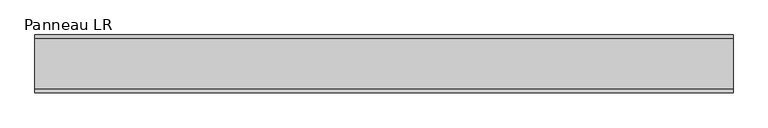
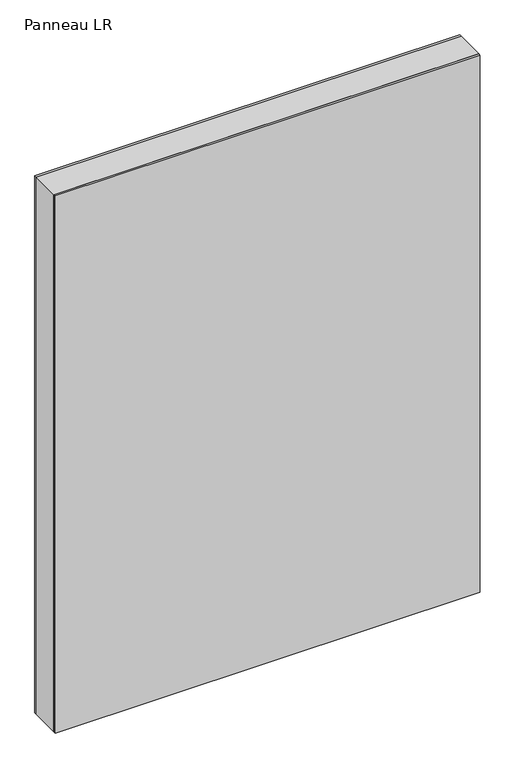
"""IFC4 building model written with IfcOpenShell, lengths in millimetres: plate geometry, Panneau LR."""

from ifc_helpers import new_model, si_unit, frame, origin, origin_with_axes, place, context, project, spatial, polyline, outline, extrude, source, transform, mapped, element, save


def panneau_lr_96a04000(model_context):
    return source(origin(), model_context, "Body", "SweptSolid", [
        extrude(outline(polyline([(1453.5, 544.1875001), (1453.5, -544.1875001), (0.0, -544.1875001), (0.0, 544.1875001), (1453.5, 544.1875001)]), holes=[polyline([(30.0, -504.1875001), (1393.5, -504.1875001), (1393.5, 504.1875001), (30.0, 504.1875001), (30.0, -504.1875001)])]), frame((0.0, -39.0, 0.0), z_axis=(0.0, 1.0, 0.0), x_axis=(0.0, 0.0, 1.0)), (0.0, 0.0, 1.0), 78.0),
        extrude(outline(polyline([(544.1875001, 39.0), (-544.1875001, 39.0), (-544.1875001, 45.0), (544.1875001, 45.0), (544.1875001, 39.0)])), origin_with_axes(), (0.0, 0.0, 1.0), 1453.5),
        extrude(outline(polyline([(-544.1875001, -45.0), (-544.1875001, -39.0), (544.1875001, -39.0), (544.1875001, -45.0), (-544.1875001, -45.0)])), origin_with_axes(), (0.0, 0.0, 1.0), 1453.5),
    ])


if __name__ == "__main__":
    model = new_model("IFC4")
    model_context = context("Model", 3, world=origin())
    ifc_project = project(units=[si_unit("LENGTHUNIT", "METRE", prefix="MILLI")], contexts=[model_context])
    site = spatial("IfcSite", under=ifc_project)
    building = spatial("IfcBuilding", under=site)
    placement = place(None, origin())
    panneau_lr_shape = panneau_lr_96a04000(model_context)
    element("IfcPlate", 1, ObjectType="Panneau LR", at=placement, inside=building, context=model_context, shape_type="MappedRepresentation", body=[
        mapped(panneau_lr_shape, transform((0.0, 0.0, 0.0), x_axis=(1.0, 0.0, 0.0), y_axis=(0.0, 1.0, 0.0), z_axis=(0.0, 0.0, 1.0))),
    ])
    save(model, "model.ifc")
